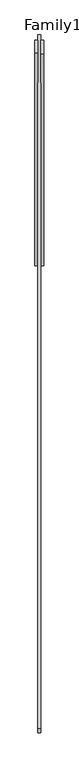
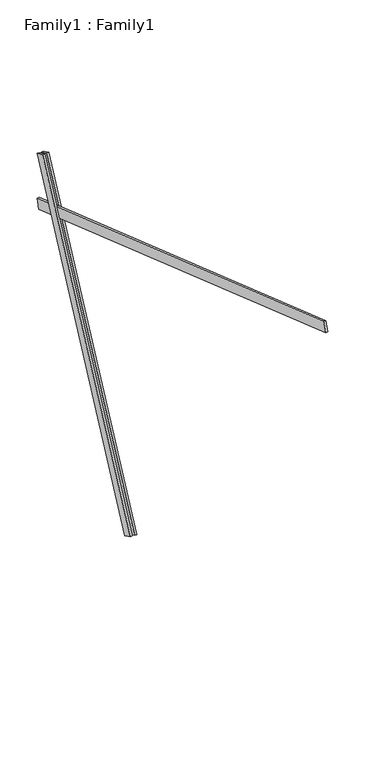
"""IFC4 building model written with IfcOpenShell, lengths in millimetres: proxy geometry, Family1 : Family1."""

from ifc_helpers import new_model, si_unit, frame, origin, place, context, project, spatial, polyline, outline, extrude, source, transform, mapped, element, save


def family1_family1_3d7786d6(model_context):
    return source(origin(), model_context, "Body", "SweptSolid", [
        extrude(outline(polyline([(0.0, 0.0), (0.0, -20.0), (-100.0000001, -20.0), (-100.0000001, 0.0), (0.0, 0.0)])), frame((-30.0, 46.3241747, -22.5938096), z_axis=(0.0, 0.4383711467890692, 0.8987940462991711), x_axis=(0.0, 0.8987940462991711, -0.4383711467890692)), (0.0, 0.0, 1.0), 3300.0),
        extrude(outline(polyline([(0.0, 0.0), (0.0, -20.0), (-99.9999999, -20.0), (-99.9999999, 0.0), (0.0, 0.0)])), frame((10.0, 45.270232, -22.0797674), z_axis=(0.0, 0.4383711467890692, 0.8987940462991711), x_axis=(0.0, 0.8987940462991711, -0.4383711467890692)), (0.0, 0.0, 1.0), 3300.0),
        extrude(outline(polyline([(0.0, -20.0), (0.0, 0.0), (5000.0, 0.0), (5000.0, -20.0), (0.0, -20.0)])), frame((-10.0, -3231.1336203, 3998.9520373), z_axis=(0.0, 0.32556815445715853, 0.9455185755993163), x_axis=(0.0, 0.9455185755993163, -0.32556815445715853)), (0.0, 0.0, 1.0), 100.0),
    ])


if __name__ == "__main__":
    model = new_model("IFC4")
    model_context = context("Model", 3, world=origin())
    ifc_project = project(units=[si_unit("LENGTHUNIT", "METRE", prefix="MILLI")], contexts=[model_context])
    site = spatial("IfcSite", under=ifc_project)
    building = spatial("IfcBuilding", under=site)
    placement = place(None, origin())
    family1_family1_shape = family1_family1_3d7786d6(model_context)
    element("IfcBuildingElementProxy", 1, Name="Family1 : Family1", ObjectType="Family1 : Family1", at=placement, inside=building, context=model_context, shape_type="MappedRepresentation", body=[
        mapped(family1_family1_shape, transform((0.0, 0.0, 0.0), x_axis=(1.0, 0.0, 0.0), y_axis=(0.0, 1.0, 0.0), z_axis=(0.0, 0.0, 1.0))),
    ])
    save(model, "model.ifc")
